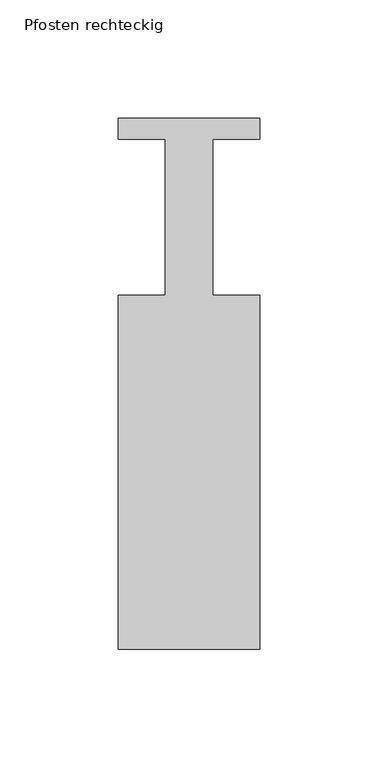
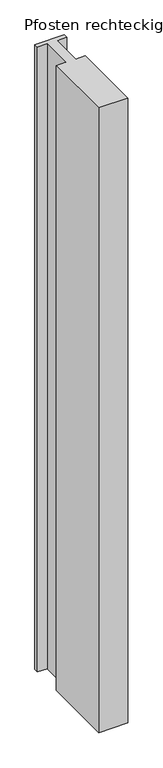
"""IFC4 building model written with IfcOpenShell, lengths in millimetres: member geometry, Pfosten rechteckig."""

from ifc_helpers import new_model, si_unit, frame, origin, place, context, project, spatial, polyline, outline, extrude, source, transform, mapped, element, save


def pfosten_rechteckig_a70ea443(model_context):
    return source(origin(), model_context, "Body", "SweptSolid", [
        extrude(outline(polyline([(30.0, 9.0), (30.0, 0.0), (10.0, 0.0), (10.0, -66.0), (30.0, -66.0), (30.0, -216.0), (-30.0, -216.0), (-30.0, -66.0), (-10.0, -66.0), (-10.0, 0.0), (-30.0, 0.0), (-30.0, 9.0), (30.0, 9.0)])), frame((0.0, 0.0, -1350.0), z_axis=(0.0, 0.0, 1.0), x_axis=(1.0, 0.0, 0.0)), (0.0, 0.0, 1.0), 1350.0),
    ])


if __name__ == "__main__":
    model = new_model("IFC4")
    model_context = context("Model", 3, world=origin())
    ifc_project = project(units=[si_unit("LENGTHUNIT", "METRE", prefix="MILLI")], contexts=[model_context])
    site = spatial("IfcSite", under=ifc_project)
    building = spatial("IfcBuilding", under=site)
    placement = place(None, origin())
    pfosten_rechteckig_shape = pfosten_rechteckig_a70ea443(model_context)
    element("IfcMember", 1, ObjectType="Pfosten rechteckig", at=placement, inside=building, context=model_context, shape_type="MappedRepresentation", body=[
        mapped(pfosten_rechteckig_shape, transform((0.0, 0.0, 0.0), x_axis=(1.0, 0.0, 0.0), y_axis=(0.0, 1.0, 0.0), z_axis=(0.0, 0.0, 1.0))),
    ])
    save(model, "model.ifc")
